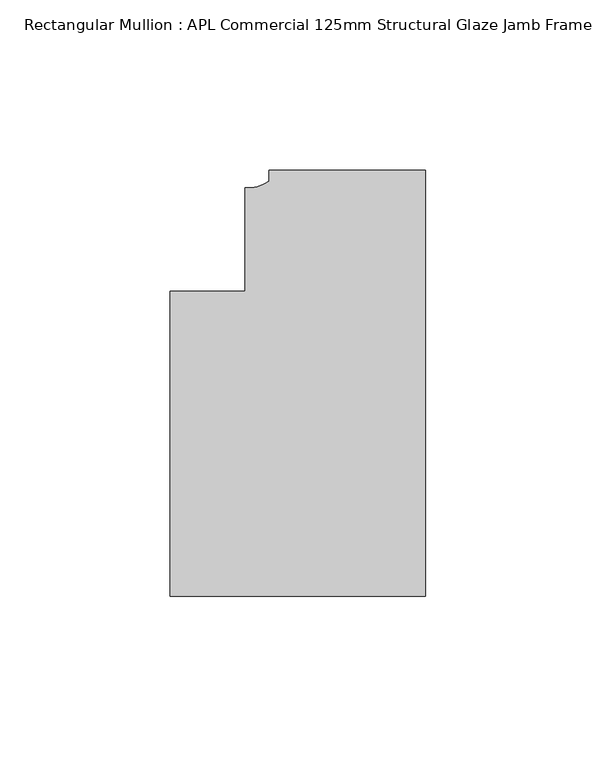
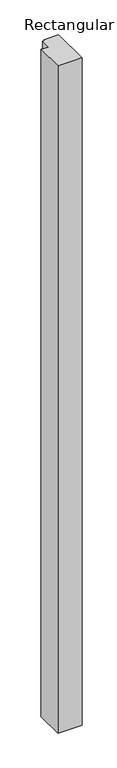
"""IFC4 building model written with IfcOpenShell, lengths in millimetres: member geometry, Rectangular Mullion : APL Commercial 125mm Structural Glaze Jamb Frame (left)."""

from ifc_helpers import new_model, si_unit, point, frame, frame_2d, origin, place, context, project, spatial, polyline, circle_curve, trimmed, segment, composite_curve, outline, extrude, source, transform, mapped, element, save


def rectangular_mullion_apl_commercial_125mm_structural_glaze_7d3b66b7(model_context):
    return source(origin(), model_context, "Body", "SweptSolid", [
        extrude(outline(composite_curve([segment(polyline([(0.0, 20.5), (0.0, -104.5), (-75.0, -104.5), (-75.0, -15.0000829), (-52.9999391, -15.0000829), (-52.9999391, 15.3797475)]), True, "CONTINUOUS"), segment(trimmed(circle_curve(frame_2d((-52.1098019, 25.7981812)), 10.4563907), [point((-52.9999391, 15.3797475))], [point((-45.9999842, 17.3125325))], True, "CARTESIAN"), True, "CONTINUOUS"), segment(polyline([(-45.9999842, 17.3125325), (-45.9999842, 20.5), (0.0, 20.5)]), True, "CONTINUOUS")], self_intersect=False)), frame((0.0, 0.0, -2200.0), z_axis=(0.0, 0.0, 1.0), x_axis=(1.0, 0.0, 0.0)), (0.0, 0.0, 1.0), 2200.0),
    ])


if __name__ == "__main__":
    model = new_model("IFC4")
    model_context = context("Model", 3, world=origin())
    ifc_project = project(units=[si_unit("LENGTHUNIT", "METRE", prefix="MILLI")], contexts=[model_context])
    site = spatial("IfcSite", under=ifc_project)
    building = spatial("IfcBuilding", under=site)
    placement = place(None, origin())
    rectangular_mullion_apl_commercial_125mm_structural_glaze_shape = rectangular_mullion_apl_commercial_125mm_structural_glaze_7d3b66b7(model_context)
    element("IfcMember", 1, ObjectType="Rectangular Mullion : APL Commercial 125mm Structural Glaze Jamb Frame (left)", at=placement, inside=building, context=model_context, shape_type="MappedRepresentation", body=[
        mapped(rectangular_mullion_apl_commercial_125mm_structural_glaze_shape, transform((0.0, 0.0, 0.0), x_axis=(1.0, 0.0, 0.0), y_axis=(0.0, 1.0, 0.0), z_axis=(0.0, 0.0, 1.0))),
    ])
    save(model, "model.ifc")
